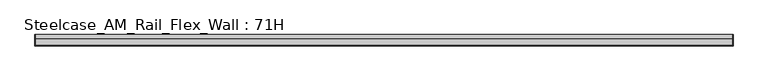
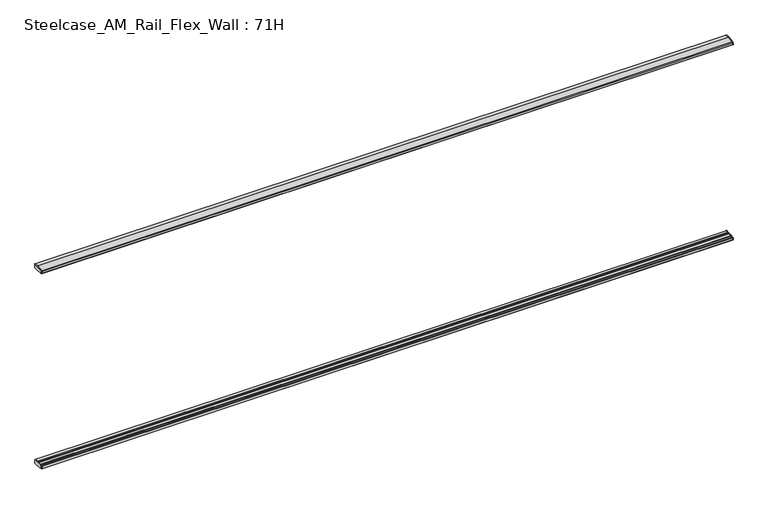
"""IFC4 building model written with IfcOpenShell, lengths in millimetres: furniture geometry, Steelcase_AM_Rail_Flex_Wall : 71H."""

from ifc_helpers import new_model, si_unit, frame, origin, place, context, project, spatial, polyline, outline, extrude, source, transform, mapped, element, save


def steelcase_am_rail_flex_wall_71h_a3c77fd1(model_context):
    return source(origin(), model_context, "Body", "SweptSolid", [
        extrude(outline(polyline([(-29.748384, 494.399958), (-2.0015978, 494.399958), (0.0, 492.39833), (0.0, 457.2), (-31.7483991, 457.2), (-95.5653908, 462.6914284), (-99.9999601, 467.5239814), (-99.9999601, 486.7480995), (-98.0172056, 488.9021347), (-73.1435844, 490.9657693), (-50.3978144, 493.0470375), (-29.748384, 494.399958)])), frame((6094.2056082, 0.0, 0.0), z_axis=(1.0, 0.0, 0.0), x_axis=(0.0, 1.0, 0.0)), (0.0, 0.0, 1.0), 4.9857422),
        extrude(outline(polyline([(-29.748384, 2278.9875964), (-50.3978144, 2280.3405169), (-73.1435844, 2282.4217851), (-98.0172056, 2284.4854198), (-99.9999601, 2286.639455), (-99.9999601, 2305.8635731), (-95.5653908, 2310.6961261), (-31.7483991, 2316.1875545), (0.0, 2316.1875545), (0.0, 2280.9892245), (-2.0015978, 2278.9875964), (-29.748384, 2278.9875964)])), frame((6094.2056082, 0.0, 0.0), z_axis=(1.0, 0.0, 0.0), x_axis=(0.0, 1.0, 0.0)), (0.0, 0.0, 1.0), 4.9857422),
        extrude(outline(polyline([(-29.748384, 494.399958), (-2.0015978, 494.399958), (0.0, 492.39833), (0.0, 457.2), (-31.7483991, 457.2), (-95.5653908, 462.6914284), (-99.9999601, 467.5239814), (-99.9999601, 486.7480995), (-98.0172056, 488.9021347), (-73.1435844, 490.9657693), (-50.3978144, 493.0470375), (-29.748384, 494.399958)])), frame((0.0, 0.0, 0.0), z_axis=(1.0, 0.0, 0.0), x_axis=(0.0, 1.0, 0.0)), (0.0, 0.0, 1.0), 4.9857422),
        extrude(outline(polyline([(-29.748384, 2278.9875964), (-50.3978144, 2280.3405169), (-73.1435844, 2282.4217851), (-98.0172056, 2284.4854198), (-99.9999601, 2286.639455), (-99.9999601, 2305.8635731), (-95.5653908, 2310.6961261), (-31.7483991, 2316.1875545), (0.0, 2316.1875545), (0.0, 2280.9892245), (-2.0015978, 2278.9875964), (-29.748384, 2278.9875964)])), frame((0.0, 0.0, 0.0), z_axis=(1.0, 0.0, 0.0), x_axis=(0.0, 1.0, 0.0)), (0.0, 0.0, 1.0), 4.9857422),
        extrude(outline(polyline([(0.0, 492.39833), (0.0, 457.2), (-31.7483991, 457.2), (-95.5653908, 462.6914284), (-99.9999606, 467.5239822), (-99.9999598, 486.7480995), (-98.0172056, 488.9021347), (-93.9826847, 489.2368579), (-91.9999743, 487.4118187), (-91.9999735, 484.9937772), (-75.1383227, 484.9937772), (-75.1383233, 488.7986526), (-73.1435844, 490.9657693), (-50.3978144, 493.0470375), (-48.4030258, 491.016882), (-48.4030258, 484.9937772), (-31.7499758, 484.9937772), (-31.7499758, 492.398336), (-29.748384, 494.399958), (-2.0015978, 494.399958), (0.0, 492.39833)])), frame((4.9857422, 0.0, 0.0), z_axis=(1.0, 0.0, 0.0), x_axis=(0.0, 1.0, 0.0)), (0.0, 0.0, 1.0), 6089.219866),
        extrude(outline(polyline([(0.0, 2280.9892245), (-2.0015978, 2278.9875964), (-29.748384, 2278.9875964), (-31.7499758, 2280.9892185), (-31.7499758, 2288.3937772), (-48.4030258, 2288.3937772), (-48.4030258, 2282.3706725), (-50.3978144, 2280.3405169), (-73.1435844, 2282.4217851), (-75.1383233, 2284.5889019), (-75.1383227, 2288.3937772), (-91.9999735, 2288.3937772), (-91.9999743, 2285.9757358), (-93.9826847, 2284.1506966), (-98.0172056, 2284.4854198), (-99.9999601, 2286.6394553), (-99.9999601, 2305.8635728), (-95.5653908, 2310.6961261), (-31.7483991, 2316.1875545), (0.0, 2316.1875545), (0.0, 2280.9892245)])), frame((4.9857422, 0.0, 0.0), z_axis=(1.0, 0.0, 0.0), x_axis=(0.0, 1.0, 0.0)), (0.0, 0.0, 1.0), 6089.219866),
    ])


if __name__ == "__main__":
    model = new_model("IFC4")
    model_context = context("Model", 3, world=origin())
    ifc_project = project(units=[si_unit("LENGTHUNIT", "METRE", prefix="MILLI")], contexts=[model_context])
    site = spatial("IfcSite", under=ifc_project)
    building = spatial("IfcBuilding", under=site)
    placement = place(None, origin())
    steelcase_am_rail_flex_wall_71h_shape = steelcase_am_rail_flex_wall_71h_a3c77fd1(model_context)
    element("IfcFurniture", 1, ObjectType="Steelcase_AM_Rail_Flex_Wall : 71H", at=placement, inside=building, context=model_context, shape_type="MappedRepresentation", body=[
        mapped(steelcase_am_rail_flex_wall_71h_shape, transform((0.0, 0.0, 0.0), x_axis=(1.0, 0.0, 0.0), y_axis=(0.0, 1.0, 0.0), z_axis=(0.0, 0.0, 1.0))),
    ])
    save(model, "model.ifc")
